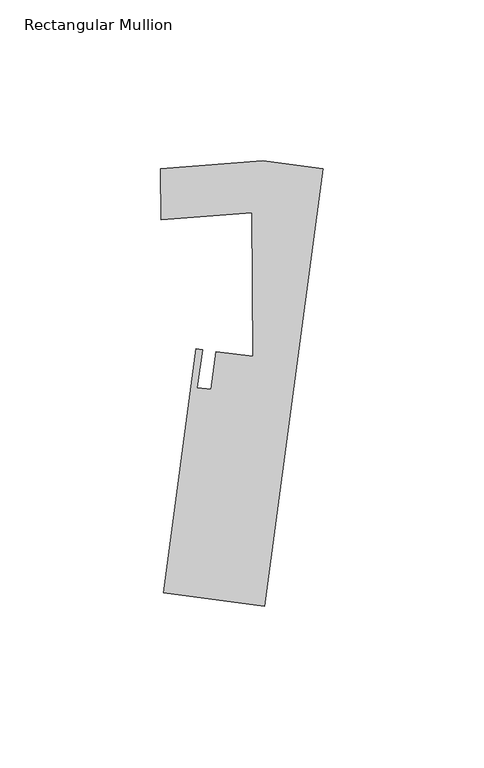
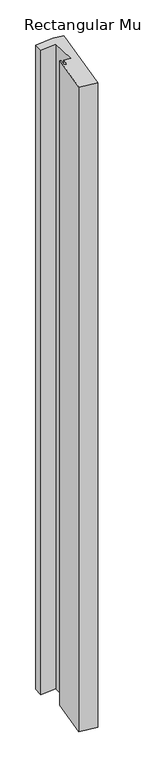
"""IFC4 building model written with IfcOpenShell, lengths in millimetres: member geometry, Rectangular Mullion."""

from ifc_helpers import new_model, si_unit, frame, origin, place, context, project, spatial, polyline, outline, extrude, source, transform, mapped, element, save


def rectangular_mullion_48f40b19(model_context):
    return source(origin(), model_context, "Body", "SweptSolid", [
        extrude(outline(polyline([(2.6468933, 19.8666362), (-15.4740537, -116.1427235), (-46.946964, -111.9494905), (-36.8399198, -36.0896251), (-34.8751067, -36.3514032), (-36.4450027, -48.1344822), (-32.1144694, -48.7114525), (-30.5445567, -36.9282484), (-19.1787577, -38.442549), (-19.4332363, 6.177464), (-47.7295251, 3.9947185), (-47.8205673, 19.8870322), (-15.9553998, 22.3450772), (2.6468933, 19.8666362)])), frame((0.0, 0.0, -1219.2), z_axis=(0.0, 0.0, 1.0), x_axis=(1.0, 0.0, 0.0)), (0.0, 0.0, 1.0), 1219.2),
    ])


if __name__ == "__main__":
    model = new_model("IFC4")
    model_context = context("Model", 3, world=origin())
    ifc_project = project(units=[si_unit("LENGTHUNIT", "METRE", prefix="MILLI")], contexts=[model_context])
    site = spatial("IfcSite", under=ifc_project)
    building = spatial("IfcBuilding", under=site)
    placement = place(None, origin())
    rectangular_mullion_shape = rectangular_mullion_48f40b19(model_context)
    element("IfcMember", 1, ObjectType="Rectangular Mullion", at=placement, inside=building, context=model_context, shape_type="MappedRepresentation", body=[
        mapped(rectangular_mullion_shape, transform((0.0, 0.0, 0.0), x_axis=(1.0, 0.0, 0.0), y_axis=(0.0, 1.0, 0.0), z_axis=(0.0, 0.0, 1.0))),
    ])
    save(model, "model.ifc")
